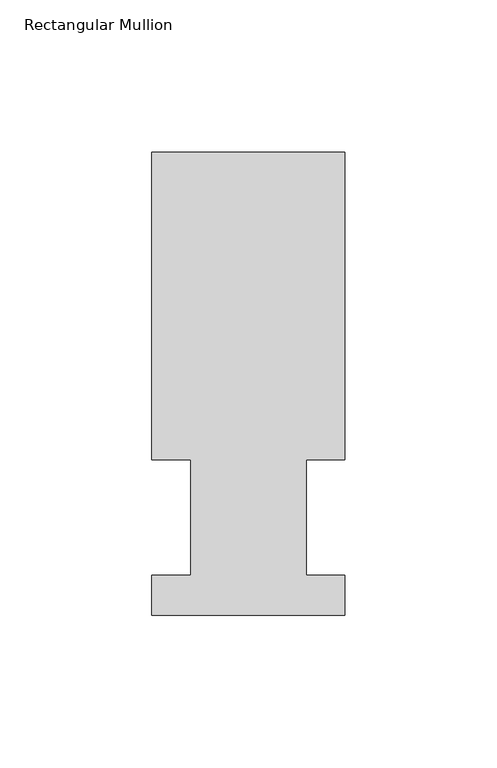
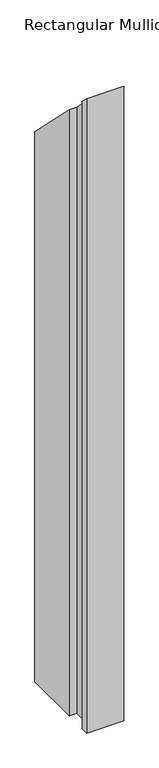
"""IFC4 building model written with IfcOpenShell, lengths in millimetres: member geometry, Rectangular Mullion."""

from ifc_helpers import new_model, si_unit, origin, place, context, project, spatial, faceted_brep, source, transform, mapped, element, save


def rectangular_mullion_5bbb7b71(model_context):
    return source(origin(), model_context, "Body", "Brep", [
        faceted_brep([(-63.5, 152.4896937, -1143.0134937), (0.0, 152.4896937, -1143.0134937), (0.0, 51.2960938, -1143.0134937), (-12.6873, 51.2960938, -1143.0134937), (-12.6873, 13.1960938, -1143.0134937), (0.0, 13.1960938, -1143.0134937), (0.0, 0.0134938, -1143.0134937), (-63.5, 0.0134938, -1143.0134937), (-63.5, 13.1960938, -1143.0134937), (-50.8, 13.1960938, -1143.0134937), (-50.8, 51.2960937, -1143.0134937), (-63.5, 51.2960937, -1143.0134937), (-63.5, 51.2960937, -51.2960938), (-63.5, 152.4896937, -152.4896938), (-50.8, 51.2960937, -51.2960938), (-50.8, 13.1960938, -13.1960938), (-63.5, 13.1960938, -13.1960938), (-63.5, 0.0134938, -0.0134938), (0.0, 0.0134938, -0.0134938), (0.0, 13.1960938, -13.1960938), (-12.6873, 13.1960938, -13.1960938), (-12.6873, 51.2960938, -51.2960938), (0.0, 51.2960938, -51.2960938), (0.0, 152.4896937, -152.4896938)], [[[0, 1, 2, 3, 4, 5, 6, 7, 8, 9, 10, 11]], [[12, 13, 0, 11]], [[14, 12, 11, 10]], [[15, 14, 10, 9]], [[16, 15, 9, 8]], [[17, 16, 8, 7]], [[18, 17, 7, 6]], [[19, 18, 6, 5]], [[20, 19, 5, 4]], [[21, 20, 4, 3]], [[22, 21, 3, 2]], [[23, 22, 2, 1]], [[13, 23, 1, 0]], [[13, 12, 14, 15, 16, 17, 18, 19, 20, 21, 22, 23]]]),
    ])


if __name__ == "__main__":
    model = new_model("IFC4")
    model_context = context("Model", 3, world=origin())
    ifc_project = project(units=[si_unit("LENGTHUNIT", "METRE", prefix="MILLI")], contexts=[model_context])
    site = spatial("IfcSite", under=ifc_project)
    building = spatial("IfcBuilding", under=site)
    placement = place(None, origin())
    rectangular_mullion_shape = rectangular_mullion_5bbb7b71(model_context)
    element("IfcMember", 1, ObjectType="Rectangular Mullion", at=placement, inside=building, context=model_context, shape_type="MappedRepresentation", body=[
        mapped(rectangular_mullion_shape, transform((0.0, 0.0, 0.0), x_axis=(1.0, 0.0, 0.0), y_axis=(0.0, 1.0, 0.0), z_axis=(0.0, 0.0, 1.0))),
    ])
    save(model, "model.ifc")
